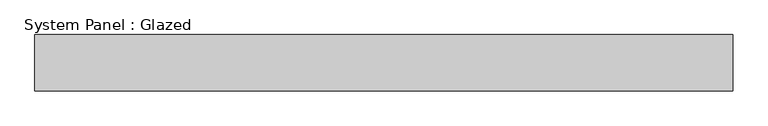
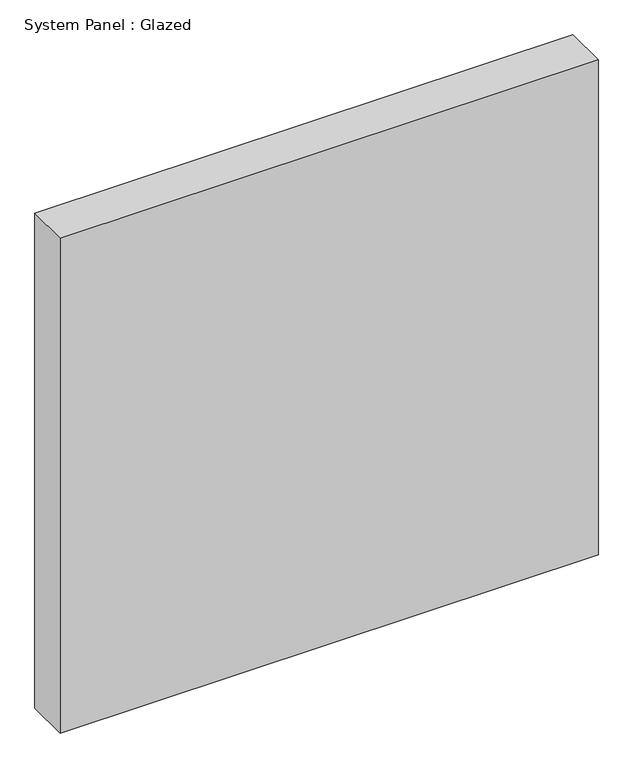
"""IFC4 building model written with IfcOpenShell, lengths in millimetres: plate geometry, System Panel : Glazed."""

from ifc_helpers import new_model, si_unit, origin, origin_with_axes, place, context, project, spatial, polyline, outline, extrude, source, transform, mapped, element, save


def system_panel_glazed_1d0c8030(model_context):
    return source(origin(), model_context, "Body", "SweptSolid", [
        extrude(outline(polyline([(617.5, 50.0), (-617.5, 50.0), (-617.5, 150.0), (617.5, 150.0), (617.5, 50.0)])), origin_with_axes(), (0.0, 0.0, 1.0), 1200.0),
    ])


if __name__ == "__main__":
    model = new_model("IFC4")
    model_context = context("Model", 3, world=origin())
    ifc_project = project(units=[si_unit("LENGTHUNIT", "METRE", prefix="MILLI")], contexts=[model_context])
    site = spatial("IfcSite", under=ifc_project)
    building = spatial("IfcBuilding", under=site)
    placement = place(None, origin())
    system_panel_glazed_shape = system_panel_glazed_1d0c8030(model_context)
    element("IfcPlate", 1, ObjectType="System Panel : Glazed", at=placement, inside=building, context=model_context, shape_type="MappedRepresentation", body=[
        mapped(system_panel_glazed_shape, transform((0.0, 0.0, 0.0), x_axis=(1.0, 0.0, 0.0), y_axis=(0.0, 1.0, 0.0), z_axis=(0.0, 0.0, 1.0))),
    ])
    save(model, "model.ifc")
